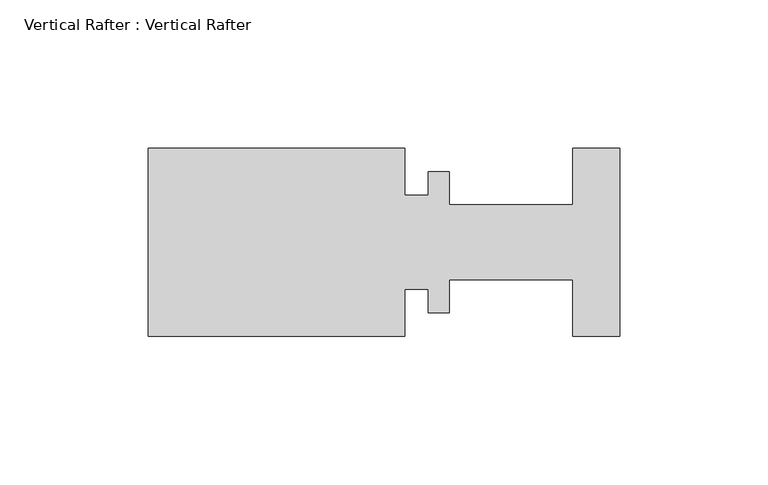
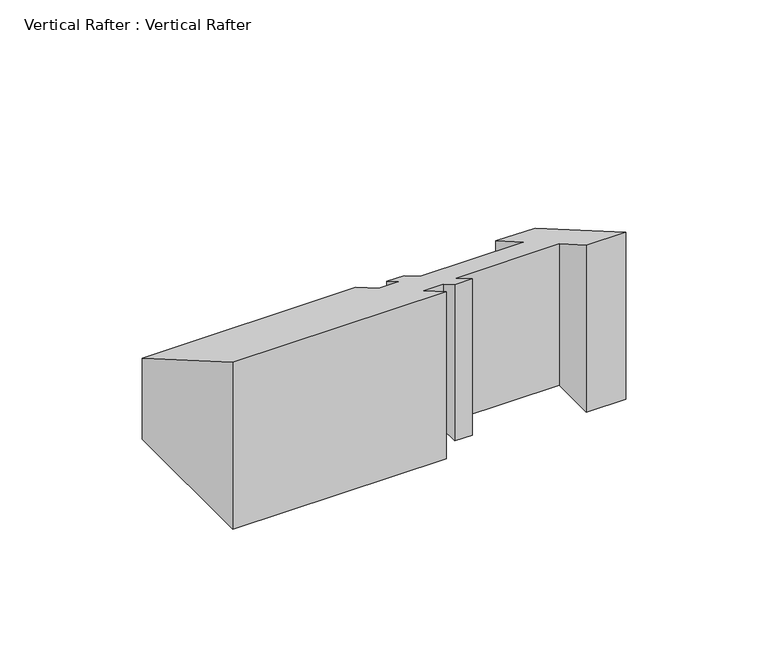
"""IFC4 building model written with IfcOpenShell, lengths in millimetres: proxy geometry, Vertical Rafter : Vertical Rafter."""

from ifc_helpers import new_model, si_unit, origin, place, context, project, spatial, faceted_brep, source, transform, mapped, element, save


def vertical_rafter_vertical_rafter_99e05f1c(model_context):
    return source(origin(), model_context, "Body", "Brep", [
        faceted_brep([(12080.5221425, -18735.7536964, 234.3645499), (12080.5221425, -18799.2536964, 234.3645499), (12064.6506309, -18799.2536964, 234.3645499), (12064.6506309, -18780.2036964, 234.3645499), (12022.9911425, -18780.2036964, 234.3645499), (12022.9911425, -18791.3288964, 234.3645499), (12015.8283425, -18791.3288964, 234.3645499), (12015.8283425, -18783.3786964, 234.3645499), (12007.9289425, -18783.3786964, 234.3645499), (12007.9289425, -18799.2536964, 234.3645499), (11921.3911425, -18799.2536964, 234.3645499), (11921.3911425, -18735.7536964, 234.3645499), (12007.9289425, -18735.7536964, 234.3645499), (12007.9289425, -18751.6286964, 234.3645499), (12015.8283425, -18751.6286964, 234.3645499), (12015.8283425, -18743.6784964, 234.3645499), (12022.9911425, -18743.6784964, 234.3645499), (12022.9911425, -18754.8036964, 234.3645499), (12064.6506309, -18754.8036964, 234.3645499), (12064.6506309, -18735.7536964, 234.3645499), (12064.6506309, -18735.7536964, 269.2315935), (12080.5221425, -18735.7536964, 269.2315935), (12064.6506309, -18754.8036964, 280.2301161), (12022.9911425, -18754.8036964, 280.2301161), (12022.9911425, -18743.6784964, 273.8069789), (12015.8283425, -18743.6784964, 273.8069789), (12015.8283425, -18751.6286964, 278.397029), (12007.9289425, -18751.6286964, 278.397029), (12007.9289425, -18735.7536964, 269.2315935), (11921.3911425, -18735.7536964, 269.2315935), (11921.3911425, -18799.2536964, 305.8933355), (12007.9289425, -18799.2536964, 305.8933355), (12007.9289425, -18783.3786964, 296.7279), (12015.8283425, -18783.3786964, 296.7279), (12015.8283425, -18791.3288964, 301.3179501), (12022.9911425, -18791.3288964, 301.3179501), (12022.9911425, -18780.2036964, 294.8948129), (12064.6506309, -18780.2036964, 294.8948129), (12064.6506309, -18799.2536964, 305.8933355), (12080.5221425, -18799.2536964, 305.8933355)], [[[0, 1, 2, 3, 4, 5, 6, 7, 8, 9, 10, 11, 12, 13, 14, 15, 16, 17, 18, 19]], [[0, 19, 20, 21]], [[19, 18, 22, 20]], [[18, 17, 23, 22]], [[17, 16, 24, 23]], [[16, 15, 25, 24]], [[15, 14, 26, 25]], [[14, 13, 27, 26]], [[13, 12, 28, 27]], [[12, 11, 29, 28]], [[11, 10, 30, 29]], [[10, 9, 31, 30]], [[9, 8, 32, 31]], [[8, 7, 33, 32]], [[7, 6, 34, 33]], [[6, 5, 35, 34]], [[5, 4, 36, 35]], [[4, 3, 37, 36]], [[3, 2, 38, 37]], [[2, 1, 39, 38]], [[1, 0, 21, 39]], [[21, 20, 22, 23, 24, 25, 26, 27, 28, 29, 30, 31, 32, 33, 34, 35, 36, 37, 38, 39]]]),
    ])


if __name__ == "__main__":
    model = new_model("IFC4")
    model_context = context("Model", 3, world=origin())
    ifc_project = project(units=[si_unit("LENGTHUNIT", "METRE", prefix="MILLI")], contexts=[model_context])
    site = spatial("IfcSite", under=ifc_project)
    building = spatial("IfcBuilding", under=site)
    placement = place(None, origin())
    vertical_rafter_vertical_rafter_shape = vertical_rafter_vertical_rafter_99e05f1c(model_context)
    element("IfcBuildingElementProxy", 1, Name="Vertical Rafter : Vertical Rafter", ObjectType="Vertical Rafter : Vertical Rafter", at=placement, inside=building, context=model_context, shape_type="MappedRepresentation", body=[
        mapped(vertical_rafter_vertical_rafter_shape, transform((0.0, 0.0, 0.0), x_axis=(1.0, 0.0, 0.0), y_axis=(0.0, 1.0, 0.0), z_axis=(0.0, 0.0, 1.0))),
    ])
    save(model, "model.ifc")
